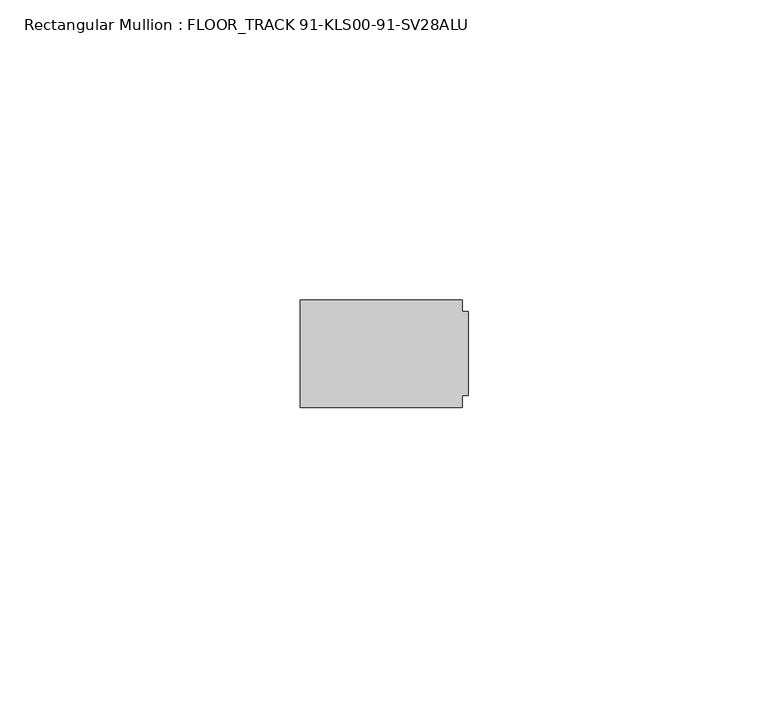
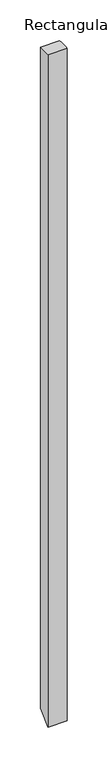
"""IFC4 building model written with IfcOpenShell, lengths in millimetres: member geometry, Rectangular Mullion : FLOOR_TRACK 91-KLS00-91-SV28ALU."""

from ifc_helpers import new_model, si_unit, origin, place, context, project, spatial, faceted_brep, source, transform, mapped, element, save


def rectangular_mullion_floor_track_91_kls00_91_sv28alu_c572a264(model_context):
    return source(origin(), model_context, "Body", "Brep", [
        faceted_brep([(-1.0, 9.0, 0.0), (-28.0, 9.0, 0.0), (-28.0, -9.0, 0.0), (-1.0, -9.0, 0.0), (-1.0, -7.0, 0.0), (0.0, -7.0, 0.0), (0.0, 7.0, 0.0), (-1.0, 7.0, 0.0), (-1.0, 9.0, -991.0), (-28.0, 9.0, -991.0), (-28.0, -9.0, -1009.0), (-1.0, -9.0, -1009.0), (-1.0, -7.0, -1007.0), (0.0, -7.0, -1007.0), (0.0, 7.0, -993.0), (-1.0, 7.0, -993.0)], [[[0, 1, 2, 3, 4, 5, 6, 7]], [[1, 0, 8, 9]], [[2, 1, 9, 10]], [[3, 2, 10, 11]], [[4, 3, 11, 12]], [[5, 4, 12, 13]], [[6, 5, 13, 14]], [[7, 6, 14, 15]], [[0, 7, 15, 8]], [[8, 15, 14, 13, 12, 11, 10, 9]]]),
    ])


if __name__ == "__main__":
    model = new_model("IFC4")
    model_context = context("Model", 3, world=origin())
    ifc_project = project(units=[si_unit("LENGTHUNIT", "METRE", prefix="MILLI")], contexts=[model_context])
    site = spatial("IfcSite", under=ifc_project)
    building = spatial("IfcBuilding", under=site)
    placement = place(None, origin())
    rectangular_mullion_floor_track_91_kls00_91_sv28alu_shape = rectangular_mullion_floor_track_91_kls00_91_sv28alu_c572a264(model_context)
    element("IfcMember", 1, ObjectType="Rectangular Mullion : FLOOR_TRACK 91-KLS00-91-SV28ALU", at=placement, inside=building, context=model_context, shape_type="MappedRepresentation", body=[
        mapped(rectangular_mullion_floor_track_91_kls00_91_sv28alu_shape, transform((0.0, 0.0, 0.0), x_axis=(1.0, 0.0, 0.0), y_axis=(0.0, 1.0, 0.0), z_axis=(0.0, 0.0, 1.0))),
    ])
    save(model, "model.ifc")
